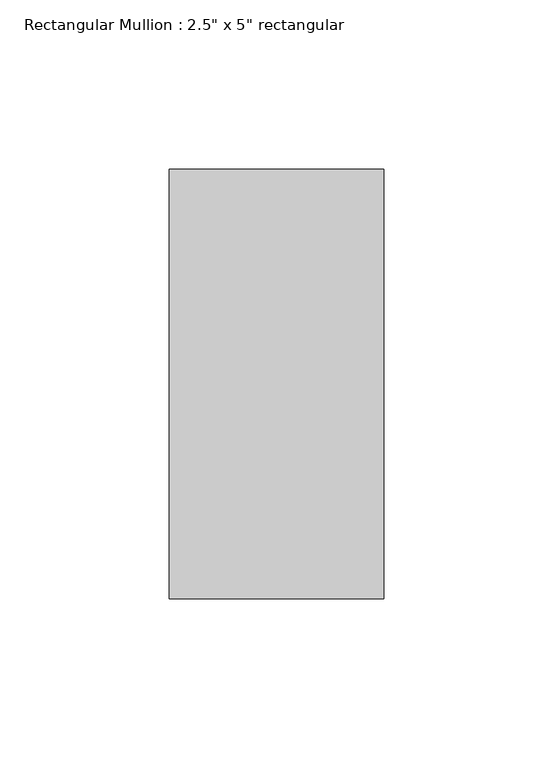
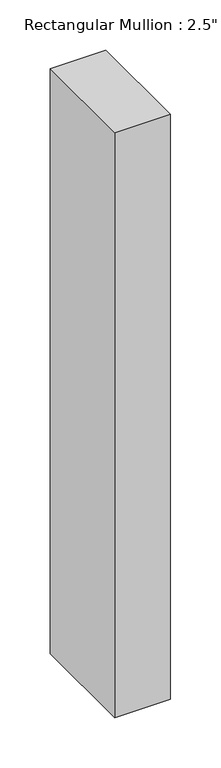
"""IFC4 building model written with IfcOpenShell, lengths in millimetres: member geometry."""

from ifc_helpers import new_model, si_unit, frame, origin, place, context, project, spatial, polyline, outline, extrude, source, transform, mapped, element, save


def member_f1915735(model_context):
    return source(origin(), model_context, "Body", "SweptSolid", [
        extrude(outline(polyline([(0.0, 63.5), (0.0, -63.5), (-63.5, -63.5), (-63.5, 63.5), (0.0, 63.5)])), frame((0.0, 0.0, -707.5964616), z_axis=(0.0, 0.0, 1.0), x_axis=(1.0, 0.0, 0.0)), (0.0, 0.0, 1.0), 707.5964616),
    ])


if __name__ == "__main__":
    model = new_model("IFC4")
    model_context = context("Model", 3, world=origin())
    ifc_project = project(units=[si_unit("LENGTHUNIT", "METRE", prefix="MILLI")], contexts=[model_context])
    site = spatial("IfcSite", under=ifc_project)
    building = spatial("IfcBuilding", under=site)
    placement = place(None, origin())
    member_shape = member_f1915735(model_context)
    element("IfcMember", 1, ObjectType="Rectangular Mullion : 2.5\" x 5\" rectangular", at=placement, inside=building, context=model_context, shape_type="MappedRepresentation", body=[
        mapped(member_shape, transform((0.0, 0.0, 0.0), x_axis=(1.0, 0.0, 0.0), y_axis=(0.0, 1.0, 0.0), z_axis=(0.0, 0.0, 1.0))),
    ])
    save(model, "model.ifc")
